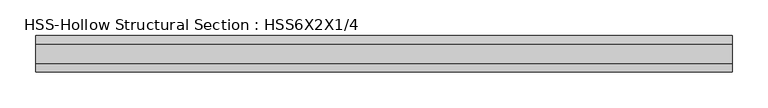
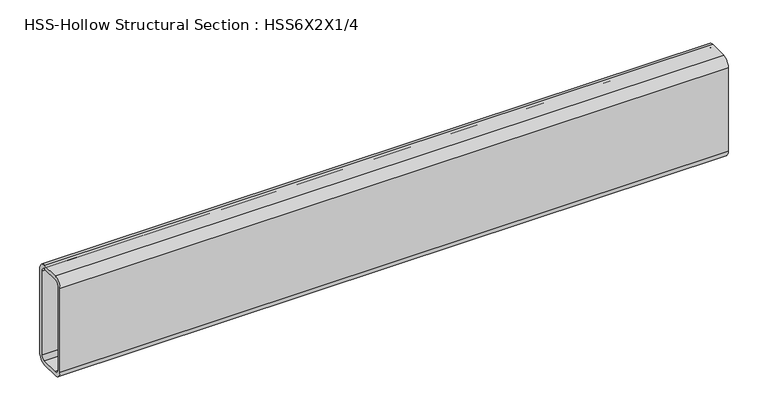
"""IFC4 building model written with IfcOpenShell, lengths in millimetres: beam geometry, HSS-Hollow Structural Section : HSS6X2X1/4."""

from ifc_helpers import new_model, si_unit, point, frame, frame_2d, origin, place, context, project, spatial, polyline, circle_curve, trimmed, segment, composite_curve, outline, extrude, source, transform, mapped, element, save


def hss_hollow_structural_section_hss6x2x1_4_6f3d5ca7(model_context):
    return source(origin(), model_context, "Body", "SweptSolid", [
        extrude(outline(composite_curve([segment(polyline([(25.4, 64.3636), (25.4, -64.3636)]), True, "CONTINUOUS"), segment(trimmed(circle_curve(frame_2d((13.5636, -64.3636)), 11.8364), [point((25.4, -64.3636))], [point((13.5636, -76.2))], False, "CARTESIAN"), True, "CONTINUOUS"), segment(polyline([(13.5636, -76.2), (-13.5636, -76.2)]), True, "CONTINUOUS"), segment(trimmed(circle_curve(frame_2d((-13.5636, -64.3636)), 11.8364), [point((-13.5636, -76.2))], [point((-25.4, -64.3636))], False, "CARTESIAN"), True, "CONTINUOUS"), segment(polyline([(-25.4, -64.3636), (-25.4, 64.3636)]), True, "CONTINUOUS"), segment(trimmed(circle_curve(frame_2d((-13.5636, 64.3636)), 11.8364), [point((-25.4, 64.3636))], [point((-13.5636, 76.2))], False, "CARTESIAN"), True, "CONTINUOUS"), segment(polyline([(-13.5636, 76.2), (13.5636, 76.2)]), True, "CONTINUOUS"), segment(trimmed(circle_curve(frame_2d((13.5636, 64.3636)), 11.8364), [point((13.5636, 76.2))], [point((25.4, 64.3636))], False, "CARTESIAN"), True, "CONTINUOUS")], self_intersect=False), holes=[composite_curve([segment(trimmed(circle_curve(frame_2d((-13.5636, 64.3636)), 5.9182), [point((-13.5636, 70.2818))], [point((-19.4818, 64.3636))], True, "CARTESIAN"), True, "CONTINUOUS"), segment(polyline([(-19.4818, 64.3636), (-19.4818, -64.3636)]), True, "CONTINUOUS"), segment(trimmed(circle_curve(frame_2d((-13.5636, -64.3636)), 5.9182), [point((-19.4818, -64.3636))], [point((-13.5636, -70.2818))], True, "CARTESIAN"), True, "CONTINUOUS"), segment(polyline([(-13.5636, -70.2818), (13.5636, -70.2818)]), True, "CONTINUOUS"), segment(trimmed(circle_curve(frame_2d((13.5636, -64.3636)), 5.9182), [point((13.5636, -70.2818))], [point((19.4818, -64.3636))], True, "CARTESIAN"), True, "CONTINUOUS"), segment(polyline([(19.4818, -64.3636), (19.4818, 64.3636)]), True, "CONTINUOUS"), segment(trimmed(circle_curve(frame_2d((13.5636, 64.3636)), 5.9182), [point((19.4818, 64.3636))], [point((13.5636, 70.2818))], True, "CARTESIAN"), True, "CONTINUOUS"), segment(polyline([(13.5636, 70.2818), (-13.5636, 70.2818)]), True, "CONTINUOUS")], self_intersect=False)]), frame((-485.0765, 0.0, 0.0), z_axis=(1.0, 0.0, 0.0), x_axis=(0.0, 1.0, 0.0)), (0.0, 0.0, 1.0), 969.7273864),
    ])


if __name__ == "__main__":
    model = new_model("IFC4")
    model_context = context("Model", 3, world=origin())
    ifc_project = project(units=[si_unit("LENGTHUNIT", "METRE", prefix="MILLI")], contexts=[model_context])
    site = spatial("IfcSite", under=ifc_project)
    building = spatial("IfcBuilding", under=site)
    placement = place(None, origin())
    hss_hollow_structural_section_hss6x2x1_4_shape = hss_hollow_structural_section_hss6x2x1_4_6f3d5ca7(model_context)
    element("IfcBeam", 1, ObjectType="HSS-Hollow Structural Section : HSS6X2X1/4", at=placement, inside=building, context=model_context, shape_type="MappedRepresentation", body=[
        mapped(hss_hollow_structural_section_hss6x2x1_4_shape, transform((0.0, 0.0, 0.0), x_axis=(1.0, 0.0, 0.0), y_axis=(0.0, 1.0, 0.0), z_axis=(0.0, 0.0, 1.0))),
    ])
    save(model, "model.ifc")
